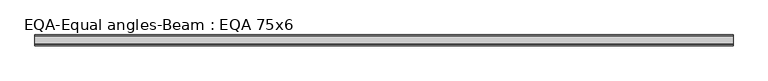
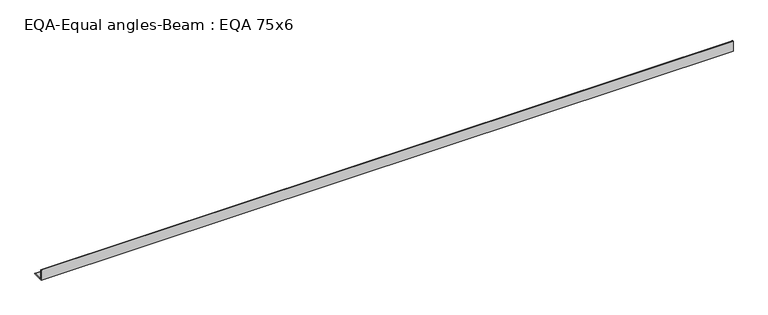
"""IFC4 building model written with IfcOpenShell, lengths in millimetres: beam geometry, EQA-Equal angles-Beam : EQA 75x6."""

from ifc_helpers import new_model, si_unit, point, frame, frame_2d, origin, place, context, project, spatial, polyline, circle_curve, trimmed, segment, composite_curve, outline, extrude, source, transform, mapped, element, save


def eqa_equal_angles_beam_eqa_75x6_249648e0(model_context):
    return source(origin(), model_context, "Body", "SweptSolid", [
        extrude(outline(composite_curve([segment(polyline([(-20.5, -20.5), (-20.5, 54.5), (-19.0, 54.5)]), True, "CONTINUOUS"), segment(trimmed(circle_curve(frame_2d((-19.0, 50.0)), 4.5), [point((-19.0, 54.5))], [point((-14.5, 50.0))], False, "CARTESIAN"), True, "CONTINUOUS"), segment(polyline([(-14.5, 50.0), (-14.5, -5.5)]), True, "CONTINUOUS"), segment(trimmed(circle_curve(frame_2d((-5.5, -5.5)), 9.0), [point((-14.5, -5.5))], [point((-5.5, -14.5))], True, "CARTESIAN"), True, "CONTINUOUS"), segment(polyline([(-5.5, -14.5), (50.0, -14.5)]), True, "CONTINUOUS"), segment(trimmed(circle_curve(frame_2d((50.0, -19.0)), 4.5), [point((50.0, -14.5))], [point((54.5, -19.0))], False, "CARTESIAN"), True, "CONTINUOUS"), segment(polyline([(54.5, -19.0), (54.5, -20.5), (-20.5, -20.5)]), True, "CONTINUOUS")], self_intersect=False)), frame((-2481.8770923, 0.0, 0.0), z_axis=(1.0, 0.0, 0.0), x_axis=(0.0, 1.0, 0.0)), (0.0, 0.0, 1.0), 4788.2517717),
    ])


if __name__ == "__main__":
    model = new_model("IFC4")
    model_context = context("Model", 3, world=origin())
    ifc_project = project(units=[si_unit("LENGTHUNIT", "METRE", prefix="MILLI")], contexts=[model_context])
    site = spatial("IfcSite", under=ifc_project)
    building = spatial("IfcBuilding", under=site)
    placement = place(None, origin())
    eqa_equal_angles_beam_eqa_75x6_shape = eqa_equal_angles_beam_eqa_75x6_249648e0(model_context)
    element("IfcBeam", 1, ObjectType="EQA-Equal angles-Beam : EQA 75x6", at=placement, inside=building, context=model_context, shape_type="MappedRepresentation", body=[
        mapped(eqa_equal_angles_beam_eqa_75x6_shape, transform((0.0, 0.0, 0.0), x_axis=(1.0, 0.0, 0.0), y_axis=(0.0, 1.0, 0.0), z_axis=(0.0, 0.0, 1.0))),
    ])
    save(model, "model.ifc")
